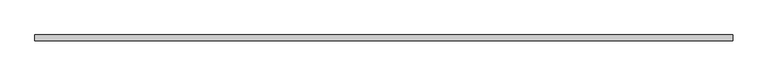
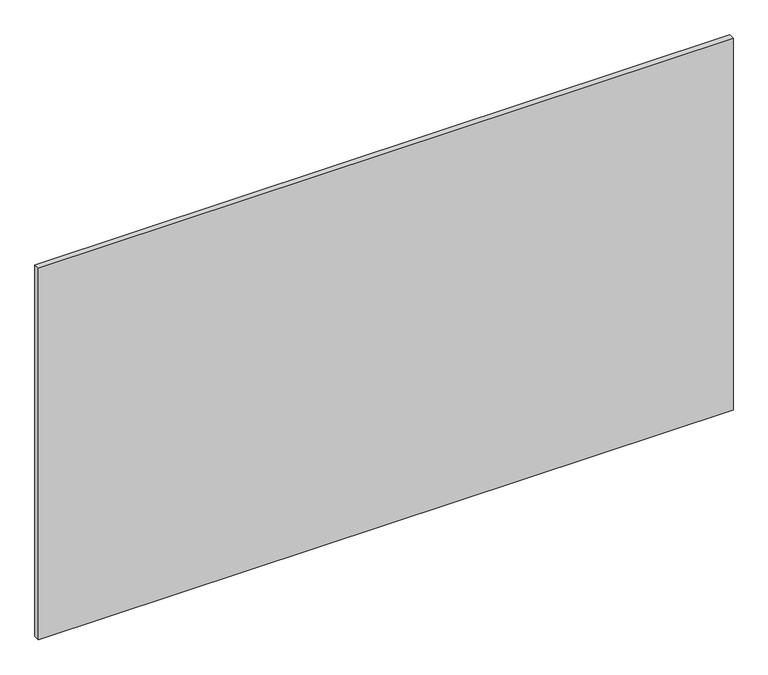
"""IFC4 building model written with IfcOpenShell, lengths in millimetres: plate geometry."""

import ifcopenshell
import ifcopenshell.guid

model = None  # the IFC model being written
_history = None  # IfcOwnerHistory: only IFC2X3 demands one
_inside = {}  # id of a spatial element -> (the spatial element, [elements in it])
_under = {}  # id of a project, library or spatial element -> (it, [spatial elements below it])
_declared = {}  # id of a project -> (the project, [libraries it declares])
_typed = {}  # id of a type object -> (the type object, [elements of that type])
_made_of = {}  # id of a material, layer set ... -> (it, [elements and type objects made of it])


def new_model(schema):
    """Start an empty IFC model of exactly this schema.

    Asked for "IFC4X3", IfcOpenShell would pick the latest addendum, in which some entities
    have other attributes; the version numbers below select the first issue.
    IFC2X3 requires an IfcOwnerHistory on every rooted entity: one is made here for all.
    """
    global model, _history
    if schema == "IFC4X3":
        model = ifcopenshell.file(schema_version=(4, 3, 0, 0))
    else:
        model = ifcopenshell.file(schema=schema)
    _inside.clear()
    _under.clear()
    _declared.clear()
    _typed.clear()
    _made_of.clear()
    _history = None
    if model.schema == "IFC2X3":
        org = make("IfcOrganization", Name="unknown")
        user = make(
            "IfcPersonAndOrganization",
            ThePerson=make("IfcPerson", FamilyName="unknown"),
            TheOrganization=org,
        )
        app = make(
            "IfcApplication",
            ApplicationDeveloper=org,
            Version="unknown",
            ApplicationFullName="unknown",
            ApplicationIdentifier="unknown",
        )
        _history = make(
            "IfcOwnerHistory",
            OwningUser=user,
            OwningApplication=app,
            ChangeAction="ADDED",
            CreationDate=0,
        )
    return model


def make(cls, **values):
    """One entity of the class cls with the attributes given. An attribute that is None is left unset."""
    return model.create_entity(
        cls, **{name: value for name, value in values.items() if value is not None}
    )


def rooted(cls, **values):
    """An entity with a GlobalId (a new one), such as an element, a storey or a relation."""
    return make(cls, GlobalId=ifcopenshell.guid.new(), OwnerHistory=_history, **values)


def si_unit(unit_type, name, prefix=None):
    """IfcSIUnit, for example si_unit("LENGTHUNIT", "METRE", prefix="MILLI")."""
    return make("IfcSIUnit", UnitType=unit_type, Prefix=prefix, Name=name)


def assignment(units):
    """IfcUnitAssignment: the units of a project."""
    return None if units is None else make("IfcUnitAssignment", Units=units)


def point(xyz):
    """IfcCartesianPoint."""
    return None if xyz is None else make("IfcCartesianPoint", Coordinates=xyz)


def direction(xyz):
    """IfcDirection."""
    return None if xyz is None else make("IfcDirection", DirectionRatios=xyz)


def frame(location, z_axis=None, x_axis=None):
    """IfcAxis2Placement3D, a coordinate frame: its origin and axes. An axis left out is left unset."""
    return make(
        "IfcAxis2Placement3D",
        Location=point(location),
        Axis=direction(z_axis),
        RefDirection=direction(x_axis),
    )


def origin():
    """The frame at (0, 0, 0) with its axes left unset."""
    return frame((0.0, 0.0, 0.0))


def origin_with_axes():
    """The frame at (0, 0, 0) with the z axis (0, 0, 1) and the x axis (1, 0, 0) written out."""
    return frame((0.0, 0.0, 0.0), z_axis=(0.0, 0.0, 1.0), x_axis=(1.0, 0.0, 0.0))


def place(relative_to, where):
    """IfcLocalPlacement: puts the frame where relative to a parent placement (None: the world)."""
    return make(
        "IfcLocalPlacement", PlacementRelTo=relative_to, RelativePlacement=where
    )


def context(
    kind, dimensions, precision=None, world=None, true_north=None, identifier=None
):
    """IfcGeometricRepresentationContext, for example the 3D "Model" context."""
    return make(
        "IfcGeometricRepresentationContext",
        ContextIdentifier=identifier,
        ContextType=kind,
        CoordinateSpaceDimension=dimensions,
        Precision=precision,
        WorldCoordinateSystem=world,
        TrueNorth=true_north,
    )


def project(units=None, contexts=None):
    """IfcProject with its units and contexts."""
    return rooted(
        "IfcProject",
        Name="project",
        RepresentationContexts=contexts,
        UnitsInContext=assignment(units),
    )


def spatial(cls, under=None, at=None, **own):
    """A site, building, storey or space (cls), placed at a placement, below another one or the project."""
    s = rooted(cls, ObjectPlacement=at, **own)
    if under is not None:
        _under.setdefault(under.id(), (under, []))[1].append(s)
    return s


def polyline(points):
    """IfcPolyline through the points."""
    return make("IfcPolyline", Points=[point(p) for p in points])


def outline(outer, holes=None, kind="AREA"):
    """IfcArbitraryClosedProfileDef: a profile drawn as a closed curve; with holes, ...WithVoids."""
    if holes is None:
        return make("IfcArbitraryClosedProfileDef", ProfileType=kind, OuterCurve=outer)
    return make(
        "IfcArbitraryProfileDefWithVoids",
        ProfileType=kind,
        OuterCurve=outer,
        InnerCurves=holes,
    )


def extrude(swept, where, along, depth):
    """IfcExtrudedAreaSolid: the profile swept, set in the frame where, extruded along a direction by depth."""
    return make(
        "IfcExtrudedAreaSolid",
        SweptArea=swept,
        Position=where,
        ExtrudedDirection=direction(along),
        Depth=depth,
    )


def shape(context_of_items, identifier, shape_type, items):
    """IfcShapeRepresentation: the items that make up one representation, for example the "Body"."""
    return make(
        "IfcShapeRepresentation",
        ContextOfItems=context_of_items,
        RepresentationIdentifier=identifier,
        RepresentationType=shape_type,
        Items=items,
    )


def source(mapping_origin, context_of_items, identifier, shape_type, items):
    """IfcRepresentationMap: a shape defined once, which mapped items show again and again."""
    return make(
        "IfcRepresentationMap",
        MappingOrigin=mapping_origin,
        MappedRepresentation=shape(context_of_items, identifier, shape_type, items),
    )


def transform(
    local_origin,
    x_axis=None,
    y_axis=None,
    z_axis=None,
    scale=None,
    scale2=None,
    scale3=None,
    uniform=True,
):
    """IfcCartesianTransformationOperator3D, or its non-uniform kind. x_axis, y_axis, z_axis: its Axis1, 2, 3."""
    if uniform:
        return make(
            "IfcCartesianTransformationOperator3D",
            Axis1=direction(x_axis),
            Axis2=direction(y_axis),
            LocalOrigin=point(local_origin),
            Scale=scale,
            Axis3=direction(z_axis),
        )
    return make(
        "IfcCartesianTransformationOperator3DnonUniform",
        Axis1=direction(x_axis),
        Axis2=direction(y_axis),
        LocalOrigin=point(local_origin),
        Scale=scale,
        Axis3=direction(z_axis),
        Scale2=scale2,
        Scale3=scale3,
    )


def mapped(mapping_source, mapping_target):
    """IfcMappedItem: shows the shape of a source again, moved by a transform."""
    return make(
        "IfcMappedItem", MappingSource=mapping_source, MappingTarget=mapping_target
    )


def made_of(thing, what):
    """Note that an element or type object is made of a material, layer set ...; save() writes the relation."""
    if what is not None:
        _made_of.setdefault(what.id(), (what, []))[1].append(thing)
    return thing


def element(
    cls,
    number,
    at=None,
    inside=None,
    cuts=None,
    type_object=None,
    material=None,
    context=None,
    identifier="Body",
    shape_type=None,
    held_by="IfcProductDefinitionShape",
    body=None,
    shapes=None,
    **own,
):
    """One element of the class cls, such as IfcWall. Its Tag is "e" and its number.

    at: its placement. inside: the storey or other place that contains it. cuts: it is an
    opening in that element (IfcRelVoidsElement). A single representation is given by context,
    identifier, shape_type and body (its items); several are given by shapes. held_by: the class
    of the entity that holds the representations. save() writes the other relations.
    """
    e = rooted(cls, Tag="e%d" % number, ObjectPlacement=at, **own)
    if body is not None:
        shapes = [shape(context, identifier, shape_type, body)]
    if shapes is not None:
        e.Representation = make(held_by, Representations=shapes)
    if inside is not None:
        _inside.setdefault(inside.id(), (inside, []))[1].append(e)
    if cuts is not None:
        rooted(
            "IfcRelVoidsElement", RelatingBuildingElement=cuts, RelatedOpeningElement=e
        )
    if type_object is not None:
        _typed.setdefault(type_object.id(), (type_object, []))[1].append(e)
    return made_of(e, material)


def aggregate(whole, parts):
    """IfcRelAggregates: a whole, such as a stair, and the parts it consists of."""
    return rooted("IfcRelAggregates", RelatingObject=whole, RelatedObjects=parts)


def save(model, path):
    """Write the relations noted so far, then the file.

    IfcRelAggregates (storeys below a building ...), IfcRelContainedInSpatialStructure (elements
    in a storey), IfcRelDefinesByType, IfcRelAssociatesMaterial and IfcRelDeclares: one each for
    every whole, place, type object, material and project.
    """
    for whole, parts in _under.values():
        aggregate(whole, parts)
    for where, things in _inside.values():
        rooted(
            "IfcRelContainedInSpatialStructure",
            RelatedElements=things,
            RelatingStructure=where,
        )
    for kind, things in _typed.values():
        rooted("IfcRelDefinesByType", RelatedObjects=things, RelatingType=kind)
    for what, things in _made_of.values():
        rooted("IfcRelAssociatesMaterial", RelatedObjects=things, RelatingMaterial=what)
    for by, libraries in _declared.values():
        rooted("IfcRelDeclares", RelatingContext=by, RelatedDefinitions=libraries)
    model.write(path)


def plate_2ab0c520(model_context):
    return source(origin(), model_context, "Body", "SweptSolid", [
        extrude(outline(polyline([(636.9, 5.2), (636.9, -5.2), (-636.9, -5.2), (-636.9, 5.2), (636.9, 5.2)])), origin_with_axes(), (0.0, 0.0, 1.0), 720.7),
    ])


if __name__ == "__main__":
    model = new_model("IFC4")
    model_context = context("Model", 3, world=origin())
    ifc_project = project(units=[si_unit("LENGTHUNIT", "METRE", prefix="MILLI")], contexts=[model_context])
    site = spatial("IfcSite", under=ifc_project)
    building = spatial("IfcBuilding", under=site)
    placement = place(None, origin())
    plate_shape = plate_2ab0c520(model_context)
    element("IfcPlate", 1, at=placement, inside=building, context=model_context, shape_type="MappedRepresentation", body=[
        mapped(plate_shape, transform((0.0, 0.0, 0.0), x_axis=(1.0, 0.0, 0.0), y_axis=(0.0, 1.0, 0.0), z_axis=(0.0, 0.0, 1.0))),
    ])
    save(model, "model.ifc")
